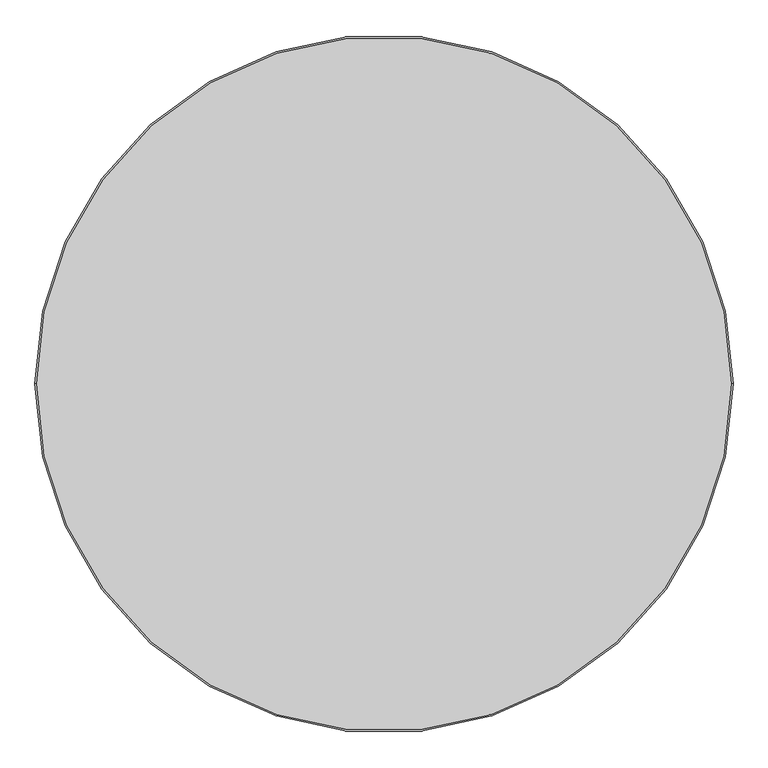
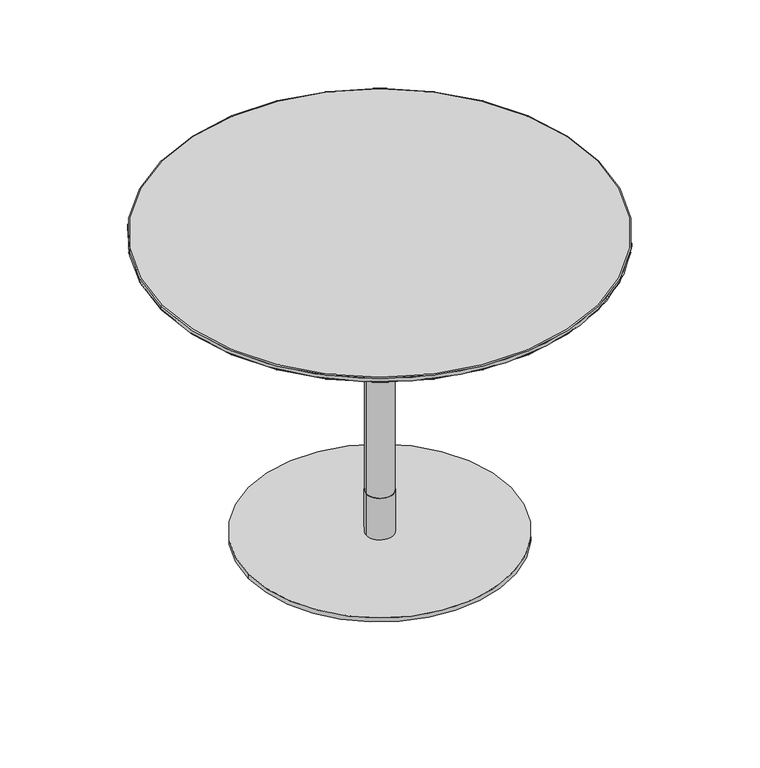
"""IFC4 building model written with IfcOpenShell, lengths in millimetres: furniture geometry."""

import ifcopenshell
import ifcopenshell.guid

model = None  # the IFC model being written
_history = None  # IfcOwnerHistory: only IFC2X3 demands one
_inside = {}  # id of a spatial element -> (the spatial element, [elements in it])
_under = {}  # id of a project, library or spatial element -> (it, [spatial elements below it])
_declared = {}  # id of a project -> (the project, [libraries it declares])
_typed = {}  # id of a type object -> (the type object, [elements of that type])
_made_of = {}  # id of a material, layer set ... -> (it, [elements and type objects made of it])


def new_model(schema):
    """Start an empty IFC model of exactly this schema.

    Asked for "IFC4X3", IfcOpenShell would pick the latest addendum, in which some entities
    have other attributes; the version numbers below select the first issue.
    IFC2X3 requires an IfcOwnerHistory on every rooted entity: one is made here for all.
    """
    global model, _history
    if schema == "IFC4X3":
        model = ifcopenshell.file(schema_version=(4, 3, 0, 0))
    else:
        model = ifcopenshell.file(schema=schema)
    _inside.clear()
    _under.clear()
    _declared.clear()
    _typed.clear()
    _made_of.clear()
    _history = None
    if model.schema == "IFC2X3":
        org = make("IfcOrganization", Name="unknown")
        user = make(
            "IfcPersonAndOrganization",
            ThePerson=make("IfcPerson", FamilyName="unknown"),
            TheOrganization=org,
        )
        app = make(
            "IfcApplication",
            ApplicationDeveloper=org,
            Version="unknown",
            ApplicationFullName="unknown",
            ApplicationIdentifier="unknown",
        )
        _history = make(
            "IfcOwnerHistory",
            OwningUser=user,
            OwningApplication=app,
            ChangeAction="ADDED",
            CreationDate=0,
        )
    return model


def make(cls, **values):
    """One entity of the class cls with the attributes given. An attribute that is None is left unset."""
    return model.create_entity(
        cls, **{name: value for name, value in values.items() if value is not None}
    )


def rooted(cls, **values):
    """An entity with a GlobalId (a new one), such as an element, a storey or a relation."""
    return make(cls, GlobalId=ifcopenshell.guid.new(), OwnerHistory=_history, **values)


def si_unit(unit_type, name, prefix=None):
    """IfcSIUnit, for example si_unit("LENGTHUNIT", "METRE", prefix="MILLI")."""
    return make("IfcSIUnit", UnitType=unit_type, Prefix=prefix, Name=name)


def assignment(units):
    """IfcUnitAssignment: the units of a project."""
    return None if units is None else make("IfcUnitAssignment", Units=units)


def point(xyz):
    """IfcCartesianPoint."""
    return None if xyz is None else make("IfcCartesianPoint", Coordinates=xyz)


def direction(xyz):
    """IfcDirection."""
    return None if xyz is None else make("IfcDirection", DirectionRatios=xyz)


def frame(location, z_axis=None, x_axis=None):
    """IfcAxis2Placement3D, a coordinate frame: its origin and axes. An axis left out is left unset."""
    return make(
        "IfcAxis2Placement3D",
        Location=point(location),
        Axis=direction(z_axis),
        RefDirection=direction(x_axis),
    )


def frame_2d(location, x_axis=None):
    """IfcAxis2Placement2D, a coordinate frame in the plane: its origin and x axis."""
    return make(
        "IfcAxis2Placement2D", Location=point(location), RefDirection=direction(x_axis)
    )


def origin():
    """The frame at (0, 0, 0) with its axes left unset."""
    return frame((0.0, 0.0, 0.0))


def origin_with_axes():
    """The frame at (0, 0, 0) with the z axis (0, 0, 1) and the x axis (1, 0, 0) written out."""
    return frame((0.0, 0.0, 0.0), z_axis=(0.0, 0.0, 1.0), x_axis=(1.0, 0.0, 0.0))


def origin_2d():
    """The frame at (0, 0) in the plane with its x axis left unset."""
    return frame_2d((0.0, 0.0))


def place(relative_to, where):
    """IfcLocalPlacement: puts the frame where relative to a parent placement (None: the world)."""
    return make(
        "IfcLocalPlacement", PlacementRelTo=relative_to, RelativePlacement=where
    )


def context(
    kind, dimensions, precision=None, world=None, true_north=None, identifier=None
):
    """IfcGeometricRepresentationContext, for example the 3D "Model" context."""
    return make(
        "IfcGeometricRepresentationContext",
        ContextIdentifier=identifier,
        ContextType=kind,
        CoordinateSpaceDimension=dimensions,
        Precision=precision,
        WorldCoordinateSystem=world,
        TrueNorth=true_north,
    )


def project(units=None, contexts=None):
    """IfcProject with its units and contexts."""
    return rooted(
        "IfcProject",
        Name="project",
        RepresentationContexts=contexts,
        UnitsInContext=assignment(units),
    )


def spatial(cls, under=None, at=None, **own):
    """A site, building, storey or space (cls), placed at a placement, below another one or the project."""
    s = rooted(cls, ObjectPlacement=at, **own)
    if under is not None:
        _under.setdefault(under.id(), (under, []))[1].append(s)
    return s


def polyline(points):
    """IfcPolyline through the points."""
    return make("IfcPolyline", Points=[point(p) for p in points])


def circle_curve(where, radius):
    """IfcCircle in the frame where."""
    return make("IfcCircle", Position=where, Radius=radius)


def ellipse_curve(where, semi_axis1, semi_axis2):
    """IfcEllipse in the frame where."""
    return make(
        "IfcEllipse", Position=where, SemiAxis1=semi_axis1, SemiAxis2=semi_axis2
    )


def trimmed(basis, trim1, trim2, sense, master):
    """IfcTrimmedCurve: the piece of a basis curve between two trims."""
    return make(
        "IfcTrimmedCurve",
        BasisCurve=basis,
        Trim1=trim1,
        Trim2=trim2,
        SenseAgreement=sense,
        MasterRepresentation=master,
    )


def segment(curve, same_sense, transition):
    """IfcCompositeCurveSegment."""
    return make(
        "IfcCompositeCurveSegment",
        Transition=transition,
        SameSense=same_sense,
        ParentCurve=curve,
    )


def composite_curve(segments, self_intersect=None):
    """IfcCompositeCurve: segments joined end to end."""
    return make("IfcCompositeCurve", Segments=segments, SelfIntersect=self_intersect)


def outline(outer, holes=None, kind="AREA"):
    """IfcArbitraryClosedProfileDef: a profile drawn as a closed curve; with holes, ...WithVoids."""
    if holes is None:
        return make("IfcArbitraryClosedProfileDef", ProfileType=kind, OuterCurve=outer)
    return make(
        "IfcArbitraryProfileDefWithVoids",
        ProfileType=kind,
        OuterCurve=outer,
        InnerCurves=holes,
    )


def extrude(swept, where, along, depth):
    """IfcExtrudedAreaSolid: the profile swept, set in the frame where, extruded along a direction by depth."""
    return make(
        "IfcExtrudedAreaSolid",
        SweptArea=swept,
        Position=where,
        ExtrudedDirection=direction(along),
        Depth=depth,
    )


def shape(context_of_items, identifier, shape_type, items):
    """IfcShapeRepresentation: the items that make up one representation, for example the "Body"."""
    return make(
        "IfcShapeRepresentation",
        ContextOfItems=context_of_items,
        RepresentationIdentifier=identifier,
        RepresentationType=shape_type,
        Items=items,
    )


def source(mapping_origin, context_of_items, identifier, shape_type, items):
    """IfcRepresentationMap: a shape defined once, which mapped items show again and again."""
    return make(
        "IfcRepresentationMap",
        MappingOrigin=mapping_origin,
        MappedRepresentation=shape(context_of_items, identifier, shape_type, items),
    )


def transform(
    local_origin,
    x_axis=None,
    y_axis=None,
    z_axis=None,
    scale=None,
    scale2=None,
    scale3=None,
    uniform=True,
):
    """IfcCartesianTransformationOperator3D, or its non-uniform kind. x_axis, y_axis, z_axis: its Axis1, 2, 3."""
    if uniform:
        return make(
            "IfcCartesianTransformationOperator3D",
            Axis1=direction(x_axis),
            Axis2=direction(y_axis),
            LocalOrigin=point(local_origin),
            Scale=scale,
            Axis3=direction(z_axis),
        )
    return make(
        "IfcCartesianTransformationOperator3DnonUniform",
        Axis1=direction(x_axis),
        Axis2=direction(y_axis),
        LocalOrigin=point(local_origin),
        Scale=scale,
        Axis3=direction(z_axis),
        Scale2=scale2,
        Scale3=scale3,
    )


def mapped(mapping_source, mapping_target):
    """IfcMappedItem: shows the shape of a source again, moved by a transform."""
    return make(
        "IfcMappedItem", MappingSource=mapping_source, MappingTarget=mapping_target
    )


def made_of(thing, what):
    """Note that an element or type object is made of a material, layer set ...; save() writes the relation."""
    if what is not None:
        _made_of.setdefault(what.id(), (what, []))[1].append(thing)
    return thing


def element(
    cls,
    number,
    at=None,
    inside=None,
    cuts=None,
    type_object=None,
    material=None,
    context=None,
    identifier="Body",
    shape_type=None,
    held_by="IfcProductDefinitionShape",
    body=None,
    shapes=None,
    **own,
):
    """One element of the class cls, such as IfcWall. Its Tag is "e" and its number.

    at: its placement. inside: the storey or other place that contains it. cuts: it is an
    opening in that element (IfcRelVoidsElement). A single representation is given by context,
    identifier, shape_type and body (its items); several are given by shapes. held_by: the class
    of the entity that holds the representations. save() writes the other relations.
    """
    e = rooted(cls, Tag="e%d" % number, ObjectPlacement=at, **own)
    if body is not None:
        shapes = [shape(context, identifier, shape_type, body)]
    if shapes is not None:
        e.Representation = make(held_by, Representations=shapes)
    if inside is not None:
        _inside.setdefault(inside.id(), (inside, []))[1].append(e)
    if cuts is not None:
        rooted(
            "IfcRelVoidsElement", RelatingBuildingElement=cuts, RelatedOpeningElement=e
        )
    if type_object is not None:
        _typed.setdefault(type_object.id(), (type_object, []))[1].append(e)
    return made_of(e, material)


def aggregate(whole, parts):
    """IfcRelAggregates: a whole, such as a stair, and the parts it consists of."""
    return rooted("IfcRelAggregates", RelatingObject=whole, RelatedObjects=parts)


def save(model, path):
    """Write the relations noted so far, then the file.

    IfcRelAggregates (storeys below a building ...), IfcRelContainedInSpatialStructure (elements
    in a storey), IfcRelDefinesByType, IfcRelAssociatesMaterial and IfcRelDeclares: one each for
    every whole, place, type object, material and project.
    """
    for whole, parts in _under.values():
        aggregate(whole, parts)
    for where, things in _inside.values():
        rooted(
            "IfcRelContainedInSpatialStructure",
            RelatedElements=things,
            RelatingStructure=where,
        )
    for kind, things in _typed.values():
        rooted("IfcRelDefinesByType", RelatedObjects=things, RelatingType=kind)
    for what, things in _made_of.values():
        rooted("IfcRelAssociatesMaterial", RelatedObjects=things, RelatingMaterial=what)
    for by, libraries in _declared.values():
        rooted("IfcRelDeclares", RelatingContext=by, RelatedDefinitions=libraries)
    model.write(path)


def plane_surface(at):
    """IfcPlane: the flat surface through the origin of the frame at, square to its z axis."""
    return make("IfcPlane", Position=at)


def cylinder_surface(at, radius):
    """IfcCylindricalSurface: all points at the distance radius from the z axis of the frame at."""
    return make("IfcCylindricalSurface", Position=at, Radius=radius)


def revolved_surface(curve, axis_point, axis_direction):
    """IfcSurfaceOfRevolution: the curve turned about the line through axis_point along axis_direction."""
    return make(
        "IfcSurfaceOfRevolution",
        SweptCurve=make("IfcArbitraryOpenProfileDef", ProfileType="CURVE", Curve=curve),
        AxisPosition=make("IfcAxis1Placement", Location=point(axis_point), Axis=direction(axis_direction)),
    )


def advanced_brep(points, edges, surfaces, faces):
    """IfcAdvancedBrep: a solid bounded by faces that lie on surfaces and meet in shared edges.

    An edge is (start, end): straight between two places in points (the first is 0);
    or (start, end, curve); or (start, end, curve, False) where it runs against its curve.
    A face is (place in surfaces, loops), or (place, loops, False) where it looks against
    its surface's normal. A loop lists edges by number (the first is 1), with a minus sign
    where the edge is run from its end to its start. The first loop is the outer one.
    """
    corners = [point(p) for p in points]
    vertices = [make("IfcVertexPoint", VertexGeometry=c) for c in corners]
    made = []
    for start, end, *more in edges:
        made.append(
            make(
                "IfcEdgeCurve",
                EdgeStart=vertices[start],
                EdgeEnd=vertices[end],
                EdgeGeometry=more[0] if more else make("IfcPolyline", Points=[corners[start], corners[end]]),
                SameSense=more[1] if len(more) > 1 else True,
            )
        )
    hull = []
    for where, loops, *sense in faces:
        bounds = []
        for j, loop in enumerate(loops):
            ring = [make("IfcOrientedEdge", EdgeElement=made[abs(k) - 1], Orientation=k > 0) for k in loop]
            bounds.append(
                make(
                    "IfcFaceOuterBound" if j == 0 else "IfcFaceBound",
                    Bound=make("IfcEdgeLoop", EdgeList=ring),
                    Orientation=True,
                )
            )
        hull.append(make("IfcAdvancedFace", Bounds=bounds, FaceSurface=surfaces[where], SameSense=sense[0] if sense else True))
    return make("IfcAdvancedBrep", Outer=make("IfcClosedShell", CfsFaces=hull))


def furniture_e010d61d(model_context):
    return source(origin(), model_context, "Body", "SolidModel", [
        advanced_brep(
        [(498.6840403, 0.0, 718.2400004), (500.0, 0.0, 720.1193857), (-500.0, 0.0, 720.1193857), (-498.6840403, 0.0, 718.2400004), (500.0, 0.0, 728.0), (498.0, 0.0, 730.0), (-498.0, 0.0, 730.0), (-500.0, 0.0, 728.0)],
        [
            (0, 1, circle_curve(frame((498.0, 0.0, 720.1193857), z_axis=(0.0, -1.0, 0.0), x_axis=(-1.0, 0.0, 0.0)), 2.0)),
            (1, 2, circle_curve(frame((0.0, 0.0, 720.1193857), z_axis=(0.0, 0.0, -1.0), x_axis=(-1.0, 0.0, 0.0)), 500.0)),
            (2, 3, circle_curve(frame((-498.0, 0.0, 720.1193857), z_axis=(0.0, -1.0, 0.0), x_axis=(1.0, 0.0, 0.0)), 2.0)),
            (3, 0, circle_curve(frame((0.0, 0.0, 718.2400004), z_axis=(0.0, 0.0, 1.0), x_axis=(-1.0, 0.0, 0.0)), 498.6840403)),
            (4, 5, circle_curve(frame((498.0, 0.0, 728.0), z_axis=(0.0, -1.0, 0.0), x_axis=(-1.0, 0.0, 0.0)), 2.0)),
            (5, 6, circle_curve(frame((0.0, 0.0, 730.0), z_axis=(0.0, 0.0, -1.0), x_axis=(-1.0, 0.0, 0.0)), 498.0)),
            (6, 7, circle_curve(frame((-498.0, 0.0, 728.0), z_axis=(0.0, -1.0, 0.0), x_axis=(1.0, 0.0, 0.0)), 2.0)),
            (7, 4, circle_curve(frame((0.0, 0.0, 728.0), z_axis=(0.0, 0.0, 1.0), x_axis=(-1.0, 0.0, 0.0)), 500.0)),
            (0, 3, circle_curve(frame((0.0, 0.0, 718.2400004), z_axis=(0.0, 0.0, 1.0), x_axis=(1.0, 0.0, 0.0)), 498.6840403)),
            (2, 1, circle_curve(frame((0.0, 0.0, 720.1193857), z_axis=(0.0, 0.0, -1.0), x_axis=(1.0, 0.0, 0.0)), 500.0)),
            (4, 7, circle_curve(frame((0.0, 0.0, 728.0), z_axis=(0.0, 0.0, 1.0), x_axis=(1.0, 0.0, 0.0)), 500.0)),
            (6, 5, circle_curve(frame((0.0, 0.0, 730.0), z_axis=(0.0, 0.0, -1.0), x_axis=(1.0, 0.0, 0.0)), 498.0)),
            (7, 2),
            (1, 4),
        ],
        [
            revolved_surface(trimmed(ellipse_curve(frame((-498.0, 0.0, 720.1193857), z_axis=(0.0, 1.0, 0.0), x_axis=(1.0, 0.0, 0.0)), 2.0, 2.0), [point((-498.6840403, 0.0, 718.2400004))], [point((-500.0, 0.0, 720.1193857))], True, "CARTESIAN"), (0.0, 0.0, 0.0), (0.0, 0.0, 1.0)),
            revolved_surface(trimmed(ellipse_curve(frame((-498.0, 0.0, 728.0), z_axis=(0.0, 1.0, 0.0), x_axis=(1.0, 0.0, 0.0)), 2.0, 2.0), [point((-500.0, 0.0, 728.0))], [point((-498.0, 0.0, 730.0))], True, "CARTESIAN"), (0.0, 0.0, 0.0), (0.0, 0.0, 1.0)),
            revolved_surface(trimmed(ellipse_curve(frame((498.0, 0.0, 720.1193857), z_axis=(0.0, -1.0, 0.0), x_axis=(-1.0, 0.0, 0.0)), 2.0, 2.0), [point((498.6840403, 0.0, 718.2400004))], [point((500.0, 0.0, 720.1193857))], True, "CARTESIAN"), (0.0, 0.0, 0.0), (0.0, 0.0, 1.0)),
            revolved_surface(trimmed(ellipse_curve(frame((498.0, 0.0, 728.0), z_axis=(0.0, -1.0, 0.0), x_axis=(-1.0, 0.0, 0.0)), 2.0, 2.0), [point((500.0, 0.0, 728.0))], [point((498.0, 0.0, 730.0))], True, "CARTESIAN"), (0.0, 0.0, 0.0), (0.0, 0.0, 1.0)),
            plane_surface(frame((500.0, 0.0, 730.0), z_axis=(0.0, 0.0, 1.0), x_axis=(0.0, 1.0, 0.0))),
            plane_surface(frame((500.0, 0.0, 718.2400004), z_axis=(0.0, 0.0, -1.0), x_axis=(0.0, -1.0, 0.0))),
            cylinder_surface(frame((0.0, 0.0, 718.2400004), z_axis=(0.0, 0.0, 1.0), x_axis=(1.0, 0.0, 0.0)), 500.0),
        ],
        [
            (0, [[1, 2, 3, 4]]),
            (1, [[5, 6, 7, 8]]),
            (2, [[-1, 9, -3, 10]]),
            (3, [[-5, 11, -7, 12]]),
            (4, [[-6, -12]]),
            (5, [[-4, -9]]),
            (6, [[13, -2, 14, -8]]),
            (6, [[-13, -11, -14, -10]]),
        ],
    ),
        advanced_brep(
        [(-498.6840403, 0.0, 718.2400004), (498.6840403, 0.0, 718.2400004), (-450.0, 0.0, 707.7932619), (450.0, 0.0, 707.7932619)],
        [
            (0, 1, circle_curve(frame((0.0, 0.0, 718.2400004), z_axis=(0.0, 0.0, 1.0), x_axis=(-1.0, 0.0, 0.0)), 498.6840403)),
            (1, 0, circle_curve(frame((0.0, 0.0, 718.2400004), z_axis=(0.0, 0.0, 1.0), x_axis=(1.0, 0.0, 0.0)), 498.6840403)),
            (2, 3, circle_curve(frame((0.0, 0.0, 707.7932619), z_axis=(0.0, 0.0, -1.0), x_axis=(1.0, 0.0, 0.0)), 450.0)),
            (3, 2, circle_curve(frame((0.0, 0.0, 707.7932619), z_axis=(0.0, 0.0, -1.0), x_axis=(-1.0, 0.0, 0.0)), 450.0)),
            (3, 1),
            (0, 2),
        ],
        [
            plane_surface(frame((0.0, 0.0, 718.2400004), z_axis=(0.0, 0.0, 1.0), x_axis=(0.0, -1.0, 0.0))),
            plane_surface(frame((0.0, 0.0, 707.7932619), z_axis=(0.0, 0.0, -1.0), x_axis=(0.0, -1.0, 0.0))),
            revolved_surface(polyline([(449.9999999147912, 0.0, 707.7932619), (498.6840403, 0.0, 718.2400004)]), (0.0, 0.0, 611.2311794), (0.0, 0.0, 1.0)),
            revolved_surface(polyline([(-449.9999999147912, 0.0, 707.7932619), (-498.6840403, 0.0, 718.2400004)]), (0.0, 0.0, 611.2311794), (0.0, 0.0, 1.0)),
        ],
        [
            (0, [[1, 2]]),
            (1, [[3, 4]]),
            (2, [[-4, 5, -1, 6]]),
            (3, [[-3, -6, -2, -5]]),
        ],
    ),
        extrude(outline(polyline([(175.0000945, 174.9403258), (175.0000945, -175.0598632), (-175.0000945, -175.0598632), (-175.0000945, 174.9403258), (175.0000945, 174.9403258)])), frame((0.0, 0.0, 702.7932592), z_axis=(0.0, 0.0, 1.0), x_axis=(1.0, 0.0, 0.0)), (0.0, 0.0, 1.0), 5.0000027),
        extrude(outline(composite_curve([segment(trimmed(circle_curve(origin_2d(), 31.0), [point((-31.0, 0.0))], [point((31.0, 0.0))], False, "CARTESIAN"), True, "CONTINUOUS"), segment(trimmed(circle_curve(origin_2d(), 31.0), [point((31.0, 0.0))], [point((-31.0, 0.0))], False, "CARTESIAN"), True, "CONTINUOUS")], self_intersect=False)), frame((0.0, 0.0, 602.7932663), z_axis=(0.0, 0.0, 1.0), x_axis=(1.0, 0.0, 0.0)), (0.0, 0.0, 1.0), 99.999993),
        extrude(outline(composite_curve([segment(trimmed(circle_curve(origin_2d(), 30.0), [point((-30.0, 0.0))], [point((30.0, 0.0))], False, "CARTESIAN"), True, "CONTINUOUS"), segment(trimmed(circle_curve(origin_2d(), 30.0), [point((30.0, 0.0))], [point((-30.0, 0.0))], False, "CARTESIAN"), True, "CONTINUOUS")], self_intersect=False)), frame((0.0, 0.0, 110.0016526), z_axis=(0.0, 0.0, 1.0), x_axis=(1.0, 0.0, 0.0)), (0.0, 0.0, 1.0), 492.7916137),
        extrude(outline(composite_curve([segment(trimmed(circle_curve(origin_2d(), 31.0), [point((-31.0, 0.0))], [point((31.0, 0.0))], False, "CARTESIAN"), True, "CONTINUOUS"), segment(trimmed(circle_curve(origin_2d(), 31.0), [point((31.0, 0.0))], [point((-31.0, 0.0))], False, "CARTESIAN"), True, "CONTINUOUS")], self_intersect=False)), frame((0.0, 0.0, 10.0000044), z_axis=(0.0, 0.0, 1.0), x_axis=(1.0, 0.0, 0.0)), (0.0, 0.0, 1.0), 100.0016481),
        extrude(outline(composite_curve([segment(trimmed(circle_curve(origin_2d(), 300.0), [point((-300.0, 0.0))], [point((300.0, 0.0))], False, "CARTESIAN"), True, "CONTINUOUS"), segment(trimmed(circle_curve(origin_2d(), 300.0), [point((300.0, 0.0))], [point((-300.0, 0.0))], False, "CARTESIAN"), True, "CONTINUOUS")], self_intersect=False)), origin_with_axes(), (0.0, 0.0, 1.0), 10.0000044),
    ])


if __name__ == "__main__":
    model = new_model("IFC4")
    model_context = context("Model", 3, world=origin())
    ifc_project = project(units=[si_unit("LENGTHUNIT", "METRE", prefix="MILLI")], contexts=[model_context])
    site = spatial("IfcSite", under=ifc_project)
    building = spatial("IfcBuilding", under=site)
    placement = place(None, origin())
    furniture_shape = furniture_e010d61d(model_context)
    element("IfcFurniture", 1, at=placement, inside=building, context=model_context, shape_type="MappedRepresentation", body=[
        mapped(furniture_shape, transform((0.0, 0.0, 0.0), x_axis=(1.0, 0.0, 0.0), y_axis=(0.0, 1.0, 0.0), z_axis=(0.0, 0.0, 1.0))),
    ])
    save(model, "model.ifc")
